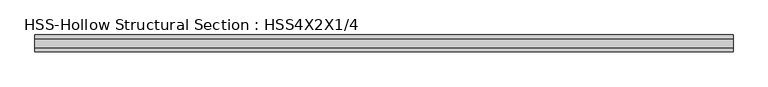
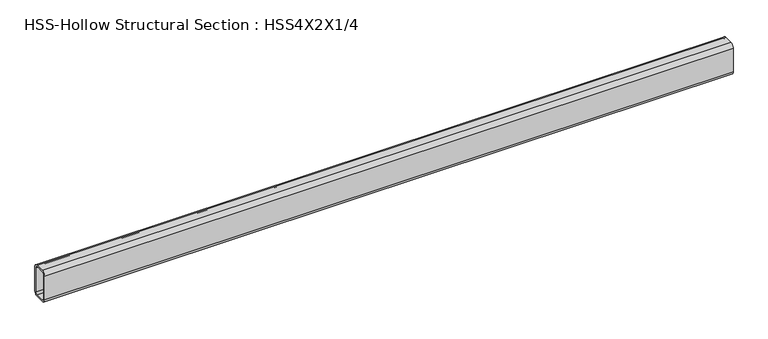
"""IFC4 building model written with IfcOpenShell, lengths in millimetres: beam geometry, HSS-Hollow Structural Section : HSS4X2X1/4."""

import ifcopenshell
import ifcopenshell.guid

model = None  # the IFC model being written
_history = None  # IfcOwnerHistory: only IFC2X3 demands one
_inside = {}  # id of a spatial element -> (the spatial element, [elements in it])
_under = {}  # id of a project, library or spatial element -> (it, [spatial elements below it])
_declared = {}  # id of a project -> (the project, [libraries it declares])
_typed = {}  # id of a type object -> (the type object, [elements of that type])
_made_of = {}  # id of a material, layer set ... -> (it, [elements and type objects made of it])


def new_model(schema):
    """Start an empty IFC model of exactly this schema.

    Asked for "IFC4X3", IfcOpenShell would pick the latest addendum, in which some entities
    have other attributes; the version numbers below select the first issue.
    IFC2X3 requires an IfcOwnerHistory on every rooted entity: one is made here for all.
    """
    global model, _history
    if schema == "IFC4X3":
        model = ifcopenshell.file(schema_version=(4, 3, 0, 0))
    else:
        model = ifcopenshell.file(schema=schema)
    _inside.clear()
    _under.clear()
    _declared.clear()
    _typed.clear()
    _made_of.clear()
    _history = None
    if model.schema == "IFC2X3":
        org = make("IfcOrganization", Name="unknown")
        user = make(
            "IfcPersonAndOrganization",
            ThePerson=make("IfcPerson", FamilyName="unknown"),
            TheOrganization=org,
        )
        app = make(
            "IfcApplication",
            ApplicationDeveloper=org,
            Version="unknown",
            ApplicationFullName="unknown",
            ApplicationIdentifier="unknown",
        )
        _history = make(
            "IfcOwnerHistory",
            OwningUser=user,
            OwningApplication=app,
            ChangeAction="ADDED",
            CreationDate=0,
        )
    return model


def make(cls, **values):
    """One entity of the class cls with the attributes given. An attribute that is None is left unset."""
    return model.create_entity(
        cls, **{name: value for name, value in values.items() if value is not None}
    )


def rooted(cls, **values):
    """An entity with a GlobalId (a new one), such as an element, a storey or a relation."""
    return make(cls, GlobalId=ifcopenshell.guid.new(), OwnerHistory=_history, **values)


def si_unit(unit_type, name, prefix=None):
    """IfcSIUnit, for example si_unit("LENGTHUNIT", "METRE", prefix="MILLI")."""
    return make("IfcSIUnit", UnitType=unit_type, Prefix=prefix, Name=name)


def assignment(units):
    """IfcUnitAssignment: the units of a project."""
    return None if units is None else make("IfcUnitAssignment", Units=units)


def point(xyz):
    """IfcCartesianPoint."""
    return None if xyz is None else make("IfcCartesianPoint", Coordinates=xyz)


def direction(xyz):
    """IfcDirection."""
    return None if xyz is None else make("IfcDirection", DirectionRatios=xyz)


def frame(location, z_axis=None, x_axis=None):
    """IfcAxis2Placement3D, a coordinate frame: its origin and axes. An axis left out is left unset."""
    return make(
        "IfcAxis2Placement3D",
        Location=point(location),
        Axis=direction(z_axis),
        RefDirection=direction(x_axis),
    )


def frame_2d(location, x_axis=None):
    """IfcAxis2Placement2D, a coordinate frame in the plane: its origin and x axis."""
    return make(
        "IfcAxis2Placement2D", Location=point(location), RefDirection=direction(x_axis)
    )


def origin():
    """The frame at (0, 0, 0) with its axes left unset."""
    return frame((0.0, 0.0, 0.0))


def place(relative_to, where):
    """IfcLocalPlacement: puts the frame where relative to a parent placement (None: the world)."""
    return make(
        "IfcLocalPlacement", PlacementRelTo=relative_to, RelativePlacement=where
    )


def context(
    kind, dimensions, precision=None, world=None, true_north=None, identifier=None
):
    """IfcGeometricRepresentationContext, for example the 3D "Model" context."""
    return make(
        "IfcGeometricRepresentationContext",
        ContextIdentifier=identifier,
        ContextType=kind,
        CoordinateSpaceDimension=dimensions,
        Precision=precision,
        WorldCoordinateSystem=world,
        TrueNorth=true_north,
    )


def project(units=None, contexts=None):
    """IfcProject with its units and contexts."""
    return rooted(
        "IfcProject",
        Name="project",
        RepresentationContexts=contexts,
        UnitsInContext=assignment(units),
    )


def spatial(cls, under=None, at=None, **own):
    """A site, building, storey or space (cls), placed at a placement, below another one or the project."""
    s = rooted(cls, ObjectPlacement=at, **own)
    if under is not None:
        _under.setdefault(under.id(), (under, []))[1].append(s)
    return s


def polyline(points):
    """IfcPolyline through the points."""
    return make("IfcPolyline", Points=[point(p) for p in points])


def circle_curve(where, radius):
    """IfcCircle in the frame where."""
    return make("IfcCircle", Position=where, Radius=radius)


def trimmed(basis, trim1, trim2, sense, master):
    """IfcTrimmedCurve: the piece of a basis curve between two trims."""
    return make(
        "IfcTrimmedCurve",
        BasisCurve=basis,
        Trim1=trim1,
        Trim2=trim2,
        SenseAgreement=sense,
        MasterRepresentation=master,
    )


def segment(curve, same_sense, transition):
    """IfcCompositeCurveSegment."""
    return make(
        "IfcCompositeCurveSegment",
        Transition=transition,
        SameSense=same_sense,
        ParentCurve=curve,
    )


def composite_curve(segments, self_intersect=None):
    """IfcCompositeCurve: segments joined end to end."""
    return make("IfcCompositeCurve", Segments=segments, SelfIntersect=self_intersect)


def outline(outer, holes=None, kind="AREA"):
    """IfcArbitraryClosedProfileDef: a profile drawn as a closed curve; with holes, ...WithVoids."""
    if holes is None:
        return make("IfcArbitraryClosedProfileDef", ProfileType=kind, OuterCurve=outer)
    return make(
        "IfcArbitraryProfileDefWithVoids",
        ProfileType=kind,
        OuterCurve=outer,
        InnerCurves=holes,
    )


def extrude(swept, where, along, depth):
    """IfcExtrudedAreaSolid: the profile swept, set in the frame where, extruded along a direction by depth."""
    return make(
        "IfcExtrudedAreaSolid",
        SweptArea=swept,
        Position=where,
        ExtrudedDirection=direction(along),
        Depth=depth,
    )


def shape(context_of_items, identifier, shape_type, items):
    """IfcShapeRepresentation: the items that make up one representation, for example the "Body"."""
    return make(
        "IfcShapeRepresentation",
        ContextOfItems=context_of_items,
        RepresentationIdentifier=identifier,
        RepresentationType=shape_type,
        Items=items,
    )


def source(mapping_origin, context_of_items, identifier, shape_type, items):
    """IfcRepresentationMap: a shape defined once, which mapped items show again and again."""
    return make(
        "IfcRepresentationMap",
        MappingOrigin=mapping_origin,
        MappedRepresentation=shape(context_of_items, identifier, shape_type, items),
    )


def transform(
    local_origin,
    x_axis=None,
    y_axis=None,
    z_axis=None,
    scale=None,
    scale2=None,
    scale3=None,
    uniform=True,
):
    """IfcCartesianTransformationOperator3D, or its non-uniform kind. x_axis, y_axis, z_axis: its Axis1, 2, 3."""
    if uniform:
        return make(
            "IfcCartesianTransformationOperator3D",
            Axis1=direction(x_axis),
            Axis2=direction(y_axis),
            LocalOrigin=point(local_origin),
            Scale=scale,
            Axis3=direction(z_axis),
        )
    return make(
        "IfcCartesianTransformationOperator3DnonUniform",
        Axis1=direction(x_axis),
        Axis2=direction(y_axis),
        LocalOrigin=point(local_origin),
        Scale=scale,
        Axis3=direction(z_axis),
        Scale2=scale2,
        Scale3=scale3,
    )


def mapped(mapping_source, mapping_target):
    """IfcMappedItem: shows the shape of a source again, moved by a transform."""
    return make(
        "IfcMappedItem", MappingSource=mapping_source, MappingTarget=mapping_target
    )


def made_of(thing, what):
    """Note that an element or type object is made of a material, layer set ...; save() writes the relation."""
    if what is not None:
        _made_of.setdefault(what.id(), (what, []))[1].append(thing)
    return thing


def element(
    cls,
    number,
    at=None,
    inside=None,
    cuts=None,
    type_object=None,
    material=None,
    context=None,
    identifier="Body",
    shape_type=None,
    held_by="IfcProductDefinitionShape",
    body=None,
    shapes=None,
    **own,
):
    """One element of the class cls, such as IfcWall. Its Tag is "e" and its number.

    at: its placement. inside: the storey or other place that contains it. cuts: it is an
    opening in that element (IfcRelVoidsElement). A single representation is given by context,
    identifier, shape_type and body (its items); several are given by shapes. held_by: the class
    of the entity that holds the representations. save() writes the other relations.
    """
    e = rooted(cls, Tag="e%d" % number, ObjectPlacement=at, **own)
    if body is not None:
        shapes = [shape(context, identifier, shape_type, body)]
    if shapes is not None:
        e.Representation = make(held_by, Representations=shapes)
    if inside is not None:
        _inside.setdefault(inside.id(), (inside, []))[1].append(e)
    if cuts is not None:
        rooted(
            "IfcRelVoidsElement", RelatingBuildingElement=cuts, RelatedOpeningElement=e
        )
    if type_object is not None:
        _typed.setdefault(type_object.id(), (type_object, []))[1].append(e)
    return made_of(e, material)


def aggregate(whole, parts):
    """IfcRelAggregates: a whole, such as a stair, and the parts it consists of."""
    return rooted("IfcRelAggregates", RelatingObject=whole, RelatedObjects=parts)


def save(model, path):
    """Write the relations noted so far, then the file.

    IfcRelAggregates (storeys below a building ...), IfcRelContainedInSpatialStructure (elements
    in a storey), IfcRelDefinesByType, IfcRelAssociatesMaterial and IfcRelDeclares: one each for
    every whole, place, type object, material and project.
    """
    for whole, parts in _under.values():
        aggregate(whole, parts)
    for where, things in _inside.values():
        rooted(
            "IfcRelContainedInSpatialStructure",
            RelatedElements=things,
            RelatingStructure=where,
        )
    for kind, things in _typed.values():
        rooted("IfcRelDefinesByType", RelatedObjects=things, RelatingType=kind)
    for what, things in _made_of.values():
        rooted("IfcRelAssociatesMaterial", RelatedObjects=things, RelatingMaterial=what)
    for by, libraries in _declared.values():
        rooted("IfcRelDeclares", RelatingContext=by, RelatedDefinitions=libraries)
    model.write(path)


def hss_hollow_structural_section_hss4x2x1_4_e3dec36a(model_context):
    return source(origin(), model_context, "Body", "SweptSolid", [
        extrude(outline(composite_curve([segment(polyline([(25.4, 38.9636), (25.4, -38.9636)]), True, "CONTINUOUS"), segment(trimmed(circle_curve(frame_2d((13.5636, -38.9636)), 11.8364), [point((25.4, -38.9636))], [point((13.5636, -50.8))], False, "CARTESIAN"), True, "CONTINUOUS"), segment(polyline([(13.5636, -50.8), (-13.5636, -50.8)]), True, "CONTINUOUS"), segment(trimmed(circle_curve(frame_2d((-13.5636, -38.9636)), 11.8364), [point((-13.5636, -50.8))], [point((-25.4, -38.9636))], False, "CARTESIAN"), True, "CONTINUOUS"), segment(polyline([(-25.4, -38.9636), (-25.4, 38.9636)]), True, "CONTINUOUS"), segment(trimmed(circle_curve(frame_2d((-13.5636, 38.9636)), 11.8364), [point((-25.4, 38.9636))], [point((-13.5636, 50.8))], False, "CARTESIAN"), True, "CONTINUOUS"), segment(polyline([(-13.5636, 50.8), (13.5636, 50.8)]), True, "CONTINUOUS"), segment(trimmed(circle_curve(frame_2d((13.5636, 38.9636)), 11.8364), [point((13.5636, 50.8))], [point((25.4, 38.9636))], False, "CARTESIAN"), True, "CONTINUOUS")], self_intersect=False), holes=[composite_curve([segment(trimmed(circle_curve(frame_2d((-13.5636, 38.9636)), 5.9182), [point((-13.5636, 44.8818))], [point((-19.4818, 38.9636))], True, "CARTESIAN"), True, "CONTINUOUS"), segment(polyline([(-19.4818, 38.9636), (-19.4818, -38.9636)]), True, "CONTINUOUS"), segment(trimmed(circle_curve(frame_2d((-13.5636, -38.9636)), 5.9182), [point((-19.4818, -38.9636))], [point((-13.5636, -44.8818))], True, "CARTESIAN"), True, "CONTINUOUS"), segment(polyline([(-13.5636, -44.8818), (13.5636, -44.8818)]), True, "CONTINUOUS"), segment(trimmed(circle_curve(frame_2d((13.5636, -38.9636)), 5.9182), [point((13.5636, -44.8818))], [point((19.4818, -38.9636))], True, "CARTESIAN"), True, "CONTINUOUS"), segment(polyline([(19.4818, -38.9636), (19.4818, 38.9636)]), True, "CONTINUOUS"), segment(trimmed(circle_curve(frame_2d((13.5636, 38.9636)), 5.9182), [point((19.4818, 38.9636))], [point((13.5636, 44.8818))], True, "CARTESIAN"), True, "CONTINUOUS"), segment(polyline([(13.5636, 44.8818), (-13.5636, 44.8818)]), True, "CONTINUOUS")], self_intersect=False)]), frame((-1060.323, 0.0, 0.0), z_axis=(1.0, 0.0, 0.0), x_axis=(0.0, 1.0, 0.0)), (0.0, 0.0, 1.0), 2120.646),
    ])


if __name__ == "__main__":
    model = new_model("IFC4")
    model_context = context("Model", 3, world=origin())
    ifc_project = project(units=[si_unit("LENGTHUNIT", "METRE", prefix="MILLI")], contexts=[model_context])
    site = spatial("IfcSite", under=ifc_project)
    building = spatial("IfcBuilding", under=site)
    placement = place(None, origin())
    hss_hollow_structural_section_hss4x2x1_4_shape = hss_hollow_structural_section_hss4x2x1_4_e3dec36a(model_context)
    element("IfcBeam", 1, ObjectType="HSS-Hollow Structural Section : HSS4X2X1/4", at=placement, inside=building, context=model_context, shape_type="MappedRepresentation", body=[
        mapped(hss_hollow_structural_section_hss4x2x1_4_shape, transform((0.0, 0.0, 0.0), x_axis=(1.0, 0.0, 0.0), y_axis=(0.0, 1.0, 0.0), z_axis=(0.0, 0.0, 1.0))),
    ])
    save(model, "model.ifc")
